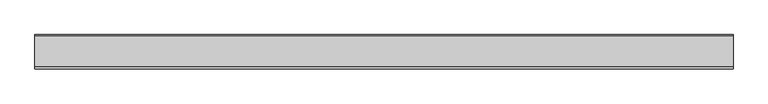
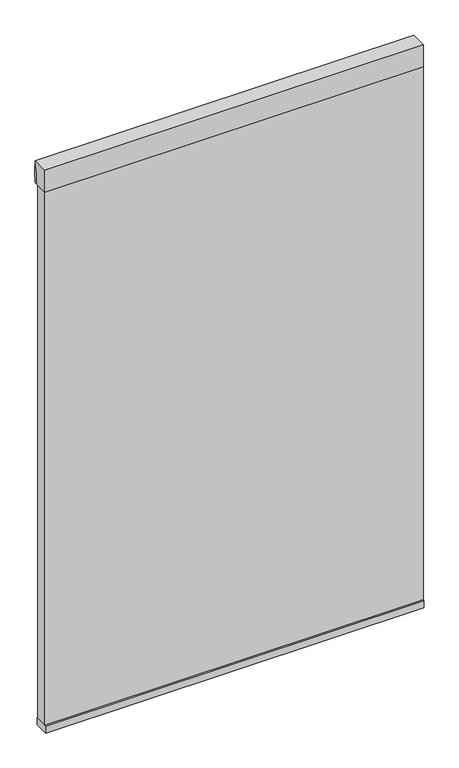
"""IFC4 building model written with IfcOpenShell, lengths in millimetres: plate geometry."""

from ifc_helpers import new_model, si_unit, point, frame, frame_2d, origin, place, context, project, spatial, polyline, circle_curve, trimmed, segment, composite_curve, outline, extrude, source, transform, mapped, element, save


def plate_a17572b9(model_context):
    return source(origin(), model_context, "Body", "SweptSolid", [
        extrude(outline(composite_curve([segment(polyline([(-20.6375, 2133.6), (35.71875, 2133.6), (35.71875, 2130.425)]), True, "CONTINUOUS"), segment(trimmed(circle_curve(frame_2d((359.5960463, 2051.2450255)), 333.4156137), [point((35.71875, 2130.425))], [point((26.19375, 2054.225))], True, "CARTESIAN"), True, "CONTINUOUS"), segment(polyline([(26.19375, 2054.225), (-20.6375, 2054.225), (-20.6375, 2133.6)]), True, "CONTINUOUS")], self_intersect=False)), frame((-647.7, 0.0, 0.0), z_axis=(1.0, 0.0, 0.0), x_axis=(0.0, 1.0, 0.0)), (0.0, 0.0, 1.0), 1295.4),
        extrude(outline(composite_curve([segment(polyline([(-20.6375, 2054.225), (-20.6375, 2133.6), (35.71875, 2133.6)]), True, "CONTINUOUS"), segment(trimmed(circle_curve(frame_2d((-276.5341329, 2093.9125)), 314.7649291), [point((35.71875, 2133.6))], [point((35.71875, 2054.225))], False, "CARTESIAN"), True, "CONTINUOUS"), segment(polyline([(35.71875, 2054.225), (-20.6375, 2054.225)]), True, "CONTINUOUS")], self_intersect=False)), frame((-647.7, 0.0, 0.0), z_axis=(1.0, 0.0, 0.0), x_axis=(0.0, 1.0, 0.0)), (0.0, 0.0, 1.0), 1295.4),
        extrude(outline(polyline([(-647.7, -25.4), (-647.7, 25.4), (647.7, 25.4), (647.7, -25.4), (-647.7, -25.4)])), frame((0.0, 0.0, 101.6), z_axis=(0.0, 0.0, 1.0), x_axis=(1.0, 0.0, 0.0)), (0.0, 0.0, 1.0), 25.4),
        extrude(outline(polyline([(647.7, -20.6375), (-647.7, -20.6375), (-647.7, 20.6375), (647.7, 20.6375), (647.7, -20.6375)])), frame((0.0, 0.0, 127.0), z_axis=(0.0, 0.0, 1.0), x_axis=(1.0, 0.0, 0.0)), (0.0, 0.0, 1.0), 1955.8),
    ])


if __name__ == "__main__":
    model = new_model("IFC4")
    model_context = context("Model", 3, world=origin())
    ifc_project = project(units=[si_unit("LENGTHUNIT", "METRE", prefix="MILLI")], contexts=[model_context])
    site = spatial("IfcSite", under=ifc_project)
    building = spatial("IfcBuilding", under=site)
    placement = place(None, origin())
    plate_shape = plate_a17572b9(model_context)
    element("IfcPlate", 1, at=placement, inside=building, context=model_context, shape_type="MappedRepresentation", body=[
        mapped(plate_shape, transform((0.0, 0.0, 0.0), x_axis=(1.0, 0.0, 0.0), y_axis=(0.0, 1.0, 0.0), z_axis=(0.0, 0.0, 1.0))),
    ])
    save(model, "model.ifc")
